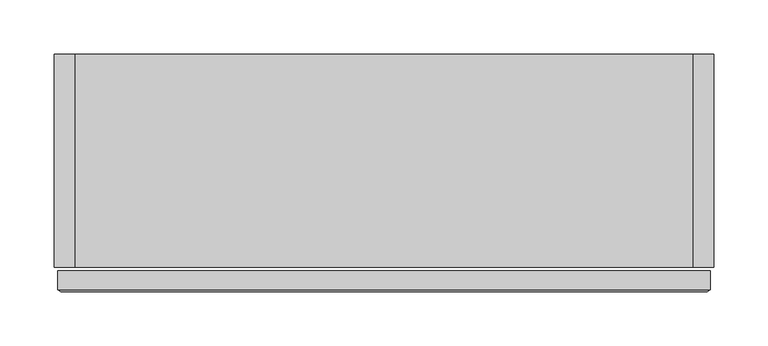
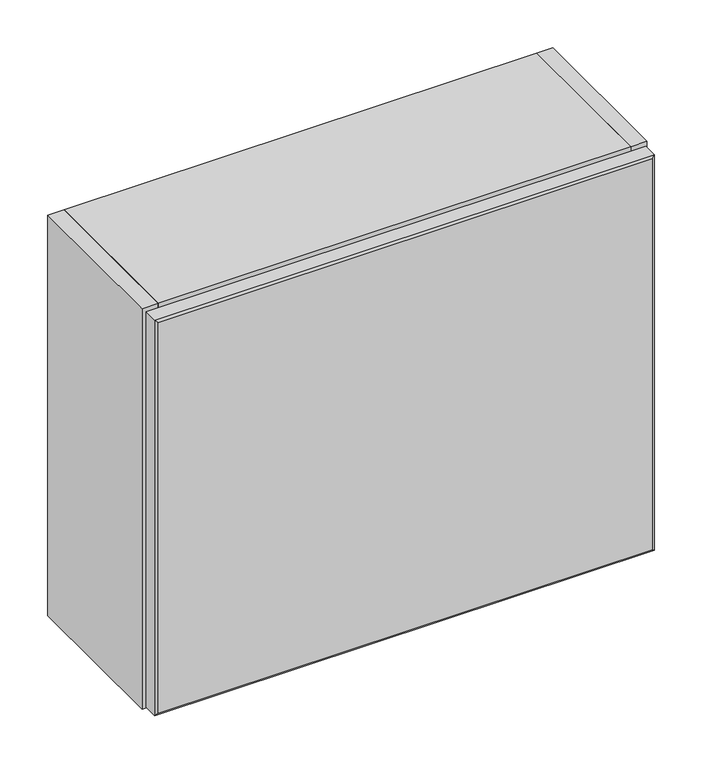
"""IFC4 building model written with IfcOpenShell, lengths in millimetres: furniture geometry."""

from ifc_helpers import new_model, si_unit, frame, origin, place, context, project, spatial, polyline, outline, extrude, faceted_brep, source, transform, mapped, element, save


def furniture_ed71fbb2(model_context):
    return source(origin(), model_context, "Body", "SolidModel", [
        extrude(outline(polyline([(303.9916112, -195.2744063), (-266.5162013, -195.2744063), (-266.5162013, -19.5460937), (303.9916112, -19.5460937), (303.9916112, -195.2744063)])), frame((0.0, 0.0, 1629.978325), z_axis=(0.0, 0.0, 1.0), x_axis=(1.0, 0.0, 0.0)), (0.0, 0.0, 1.0), 19.5460937),
        extrude(outline(polyline([(303.9916112, 0.0), (303.9916112, -196.8619063), (-266.5162013, -196.8619063), (-266.5162013, 0.0), (303.9916112, 0.0)])), frame((0.0, 0.0, 2099.7791063), z_axis=(0.0, 0.0, 1.0), x_axis=(1.0, 0.0, 0.0)), (0.0, 0.0, 1.0), 19.5460938),
        extrude(outline(polyline([(-266.5162013, 0.0), (-266.5162013, -196.8619063), (-286.0622951, -196.8619063), (-286.0622951, 0.0), (-266.5162013, 0.0)])), frame((0.0, 0.0, 1608.4478563), z_axis=(0.0, 0.0, 1.0), x_axis=(1.0, 0.0, 0.0)), (0.0, 0.0, 1.0), 510.8773437),
        extrude(outline(polyline([(323.5377049, 0.0), (323.5377049, -196.8619063), (303.9916112, -196.8619063), (303.9916112, 0.0), (323.5377049, 0.0)])), frame((0.0, 0.0, 1608.4478563), z_axis=(0.0, 0.0, 1.0), x_axis=(1.0, 0.0, 0.0)), (0.0, 0.0, 1.0), 510.8773437),
        faceted_brep([(317.1877049, -219.583, 1614.7978562), (317.1877049, -219.583, 2112.9752), (-279.7122951, -219.583, 2112.9752), (-279.7122951, -219.583, 1614.7978562), (320.3627049, -200.0369063, 2116.1502), (320.3627049, -200.0369063, 1611.6228562), (-282.8872951, -200.0369063, 1611.6228562), (-282.8872951, -200.0369063, 2116.1502), (-282.8872951, -217.7970625, 2116.1502), (320.3627049, -217.7970625, 2116.1502), (-282.8872951, -217.7970625, 1611.6228562), (320.3627049, -217.7970625, 1611.6228562)], [[[0, 1, 2, 3]], [[4, 5, 6, 7]], [[4, 7, 8, 9]], [[7, 6, 10, 8]], [[6, 5, 11, 10]], [[5, 4, 9, 11]], [[0, 11, 9, 1]], [[11, 0, 3, 10]], [[10, 3, 2, 8]], [[1, 9, 8, 2]]]),
        extrude(outline(polyline([(-266.5162013, 0.0), (303.9916112, 0.0), (303.9916112, -19.5460937), (-266.5162013, -19.5460937), (-266.5162013, 0.0)])), frame((0.0, 0.0, 1608.4478563), z_axis=(0.0, 0.0, 1.0), x_axis=(1.0, 0.0, 0.0)), (0.0, 0.0, 1.0), 491.33125),
    ])


if __name__ == "__main__":
    model = new_model("IFC4")
    model_context = context("Model", 3, world=origin())
    ifc_project = project(units=[si_unit("LENGTHUNIT", "METRE", prefix="MILLI")], contexts=[model_context])
    site = spatial("IfcSite", under=ifc_project)
    building = spatial("IfcBuilding", under=site)
    placement = place(None, origin())
    furniture_shape = furniture_ed71fbb2(model_context)
    element("IfcFurniture", 1, at=placement, inside=building, context=model_context, shape_type="MappedRepresentation", body=[
        mapped(furniture_shape, transform((0.0, 0.0, 0.0), x_axis=(1.0, 0.0, 0.0), y_axis=(0.0, 1.0, 0.0), z_axis=(0.0, 0.0, 1.0))),
    ])
    save(model, "model.ifc")
